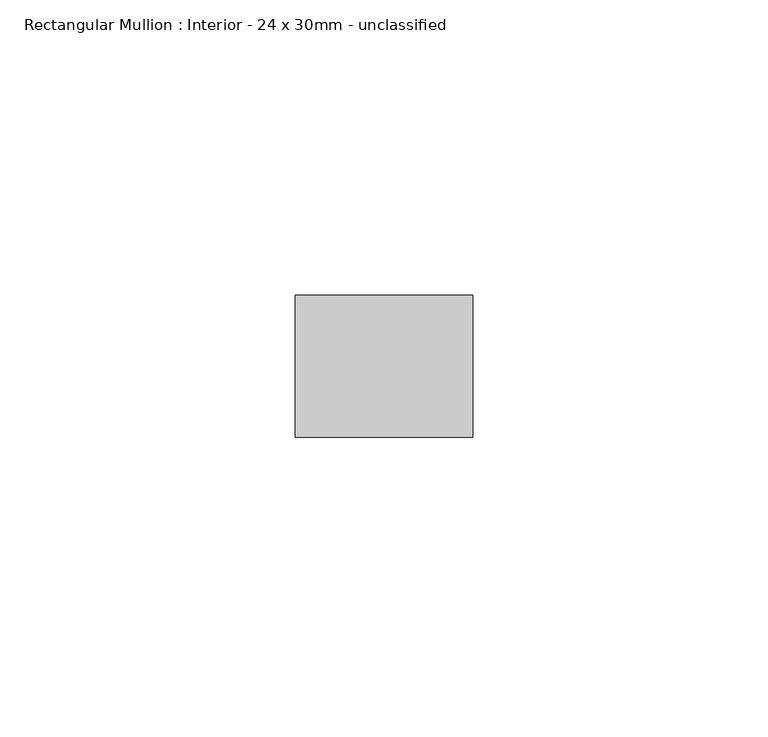
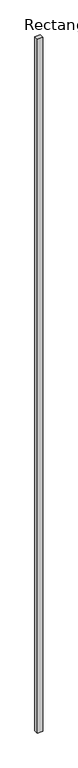
"""IFC4 building model written with IfcOpenShell, lengths in millimetres: member geometry, Rectangular Mullion : Interior - 24 x 30mm - unclassified."""

from ifc_helpers import new_model, si_unit, frame, origin, place, context, project, spatial, polyline, outline, extrude, source, transform, mapped, element, save


def rectangular_mullion_interior_24_x_30mm_unclassified_aca2f8c7(model_context):
    return source(origin(), model_context, "Body", "SweptSolid", [
        extrude(outline(polyline([(0.0, 12.0), (0.0, -12.0), (-30.0, -12.0), (-30.0, 12.0), (0.0, 12.0)])), frame((0.0, 0.0, -4000.0), z_axis=(0.0, 0.0, 1.0), x_axis=(1.0, 0.0, 0.0)), (0.0, 0.0, 1.0), 4000.0),
    ])


if __name__ == "__main__":
    model = new_model("IFC4")
    model_context = context("Model", 3, world=origin())
    ifc_project = project(units=[si_unit("LENGTHUNIT", "METRE", prefix="MILLI")], contexts=[model_context])
    site = spatial("IfcSite", under=ifc_project)
    building = spatial("IfcBuilding", under=site)
    placement = place(None, origin())
    rectangular_mullion_interior_24_x_30mm_unclassified_shape = rectangular_mullion_interior_24_x_30mm_unclassified_aca2f8c7(model_context)
    element("IfcMember", 1, ObjectType="Rectangular Mullion : Interior - 24 x 30mm - unclassified", at=placement, inside=building, context=model_context, shape_type="MappedRepresentation", body=[
        mapped(rectangular_mullion_interior_24_x_30mm_unclassified_shape, transform((0.0, 0.0, 0.0), x_axis=(1.0, 0.0, 0.0), y_axis=(0.0, 1.0, 0.0), z_axis=(0.0, 0.0, 1.0))),
    ])
    save(model, "model.ifc")
